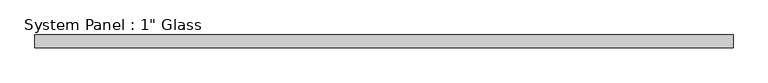
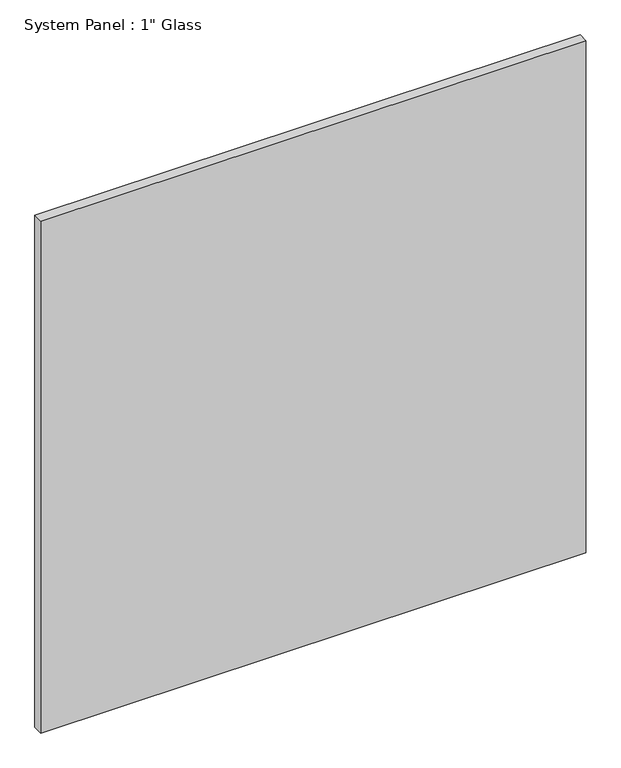
"""IFC4 building model written with IfcOpenShell, lengths in millimetres: plate geometry."""

from ifc_helpers import new_model, si_unit, origin, origin_with_axes, place, context, project, spatial, polyline, outline, extrude, source, transform, mapped, element, save


def plate_aec58fa1(model_context):
    return source(origin(), model_context, "Body", "SweptSolid", [
        extrude(outline(polyline([(701.6767704, -12.7), (-701.6767704, -12.7), (-701.6767704, 12.7), (701.6767704, 12.7), (701.6767704, -12.7)])), origin_with_axes(), (0.0, 0.0, 1.0), 1393.1917704),
    ])


if __name__ == "__main__":
    model = new_model("IFC4")
    model_context = context("Model", 3, world=origin())
    ifc_project = project(units=[si_unit("LENGTHUNIT", "METRE", prefix="MILLI")], contexts=[model_context])
    site = spatial("IfcSite", under=ifc_project)
    building = spatial("IfcBuilding", under=site)
    placement = place(None, origin())
    plate_shape = plate_aec58fa1(model_context)
    element("IfcPlate", 1, ObjectType="System Panel : 1\" Glass", at=placement, inside=building, context=model_context, shape_type="MappedRepresentation", body=[
        mapped(plate_shape, transform((0.0, 0.0, 0.0), x_axis=(1.0, 0.0, 0.0), y_axis=(0.0, 1.0, 0.0), z_axis=(0.0, 0.0, 1.0))),
    ])
    save(model, "model.ifc")
